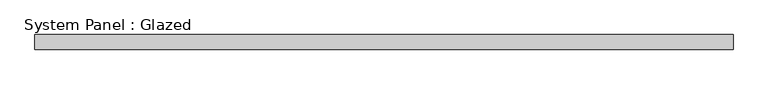
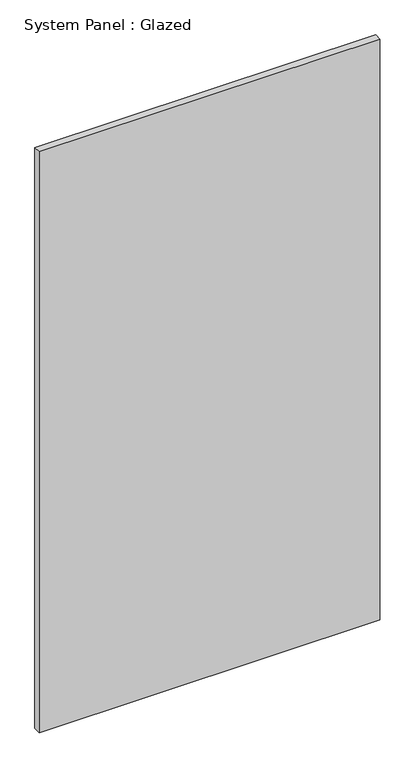
"""IFC4 building model written with IfcOpenShell, lengths in millimetres: plate geometry, System Panel : Glazed."""

from ifc_helpers import new_model, si_unit, origin, origin_with_axes, place, context, project, spatial, polyline, outline, extrude, source, transform, mapped, element, save


def system_panel_glazed_2f13d2c4(model_context):
    return source(origin(), model_context, "Body", "SweptSolid", [
        extrude(outline(polyline([(589.1625, 19.05), (-589.1625, 19.05), (-589.1625, 44.45), (589.1625, 44.45), (589.1625, 19.05)])), origin_with_axes(), (0.0, 0.0, 1.0), 2124.7825779),
    ])


if __name__ == "__main__":
    model = new_model("IFC4")
    model_context = context("Model", 3, world=origin())
    ifc_project = project(units=[si_unit("LENGTHUNIT", "METRE", prefix="MILLI")], contexts=[model_context])
    site = spatial("IfcSite", under=ifc_project)
    building = spatial("IfcBuilding", under=site)
    placement = place(None, origin())
    system_panel_glazed_shape = system_panel_glazed_2f13d2c4(model_context)
    element("IfcPlate", 1, ObjectType="System Panel : Glazed", at=placement, inside=building, context=model_context, shape_type="MappedRepresentation", body=[
        mapped(system_panel_glazed_shape, transform((0.0, 0.0, 0.0), x_axis=(1.0, 0.0, 0.0), y_axis=(0.0, 1.0, 0.0), z_axis=(0.0, 0.0, 1.0))),
    ])
    save(model, "model.ifc")
